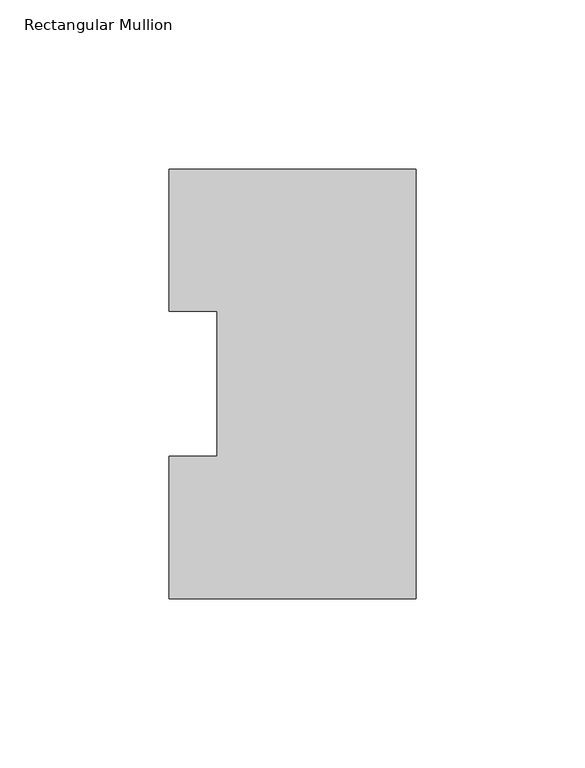
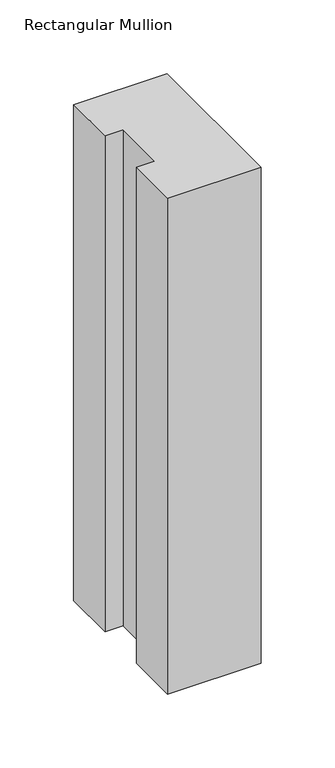
"""IFC4 building model written with IfcOpenShell, lengths in millimetres: member geometry, Rectangular Mullion."""

from ifc_helpers import new_model, si_unit, frame, origin, place, context, project, spatial, polyline, outline, extrude, source, transform, mapped, element, save


def rectangular_mullion_ee7128ca(model_context):
    return source(origin(), model_context, "Body", "SweptSolid", [
        extrude(outline(polyline([(0.0, 127.006348), (0.0, 0.0063465), (-73.025, 0.0063465), (-73.025, 42.0814491), (-58.7375, 42.0814491), (-58.7375, 84.93125), (-73.025, 84.93125), (-73.025, 127.006348), (0.0, 127.006348)])), frame((0.0, 0.0, -409.575), z_axis=(0.0, 0.0, 1.0), x_axis=(1.0, 0.0, 0.0)), (0.0, 0.0, 1.0), 409.575),
    ])


if __name__ == "__main__":
    model = new_model("IFC4")
    model_context = context("Model", 3, world=origin())
    ifc_project = project(units=[si_unit("LENGTHUNIT", "METRE", prefix="MILLI")], contexts=[model_context])
    site = spatial("IfcSite", under=ifc_project)
    building = spatial("IfcBuilding", under=site)
    placement = place(None, origin())
    rectangular_mullion_shape = rectangular_mullion_ee7128ca(model_context)
    element("IfcMember", 1, ObjectType="Rectangular Mullion", at=placement, inside=building, context=model_context, shape_type="MappedRepresentation", body=[
        mapped(rectangular_mullion_shape, transform((0.0, 0.0, 0.0), x_axis=(1.0, 0.0, 0.0), y_axis=(0.0, 1.0, 0.0), z_axis=(0.0, 0.0, 1.0))),
    ])
    save(model, "model.ifc")
